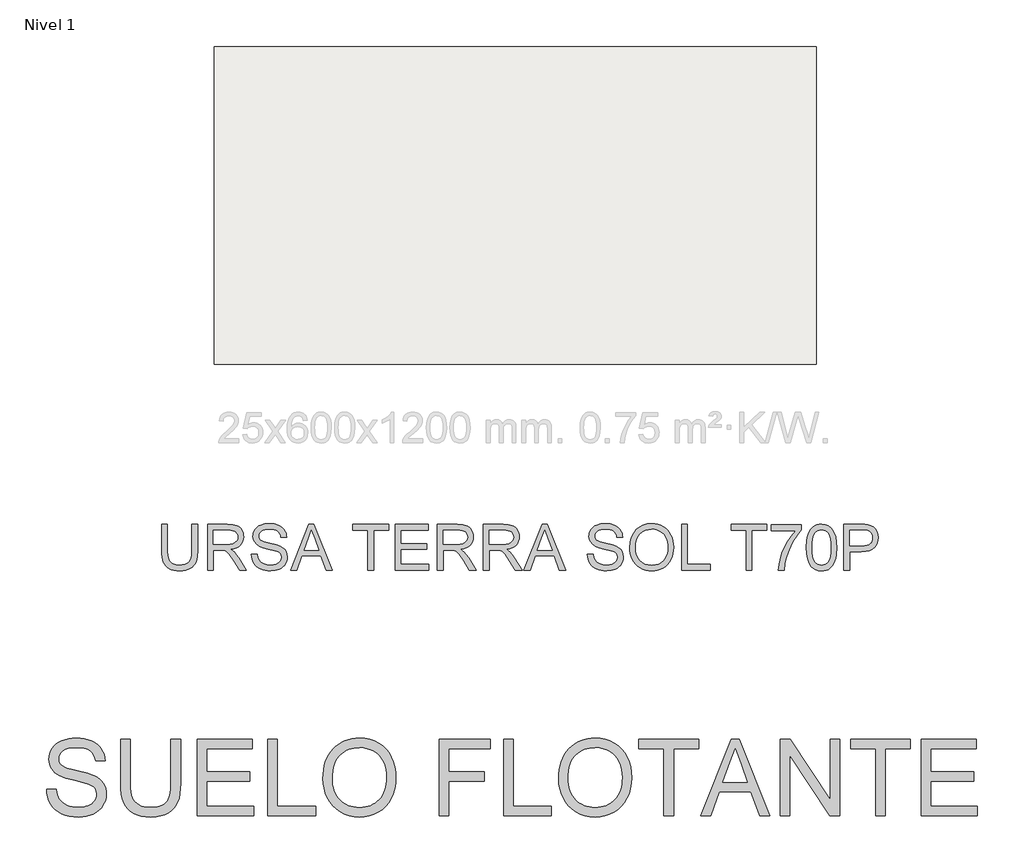
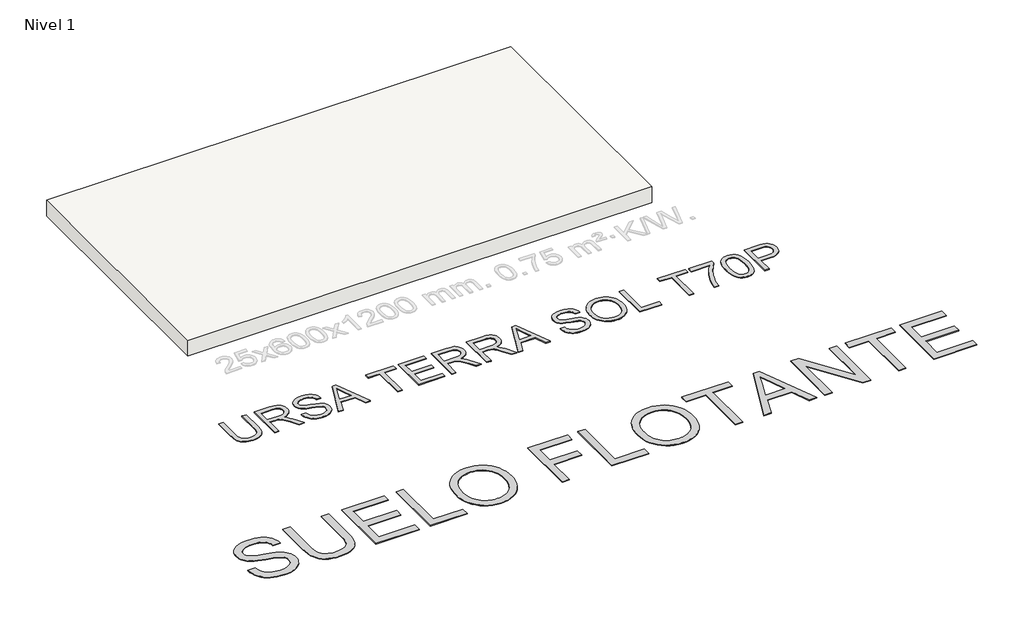
# One storey, part 1 of 2: 2 proxies, 1 slab.
"""IFC4 building model written with IfcOpenShell, lengths in millimetres."""

from ifc_helpers import new_model, si_unit, frame, origin, origin_with_axes, place, context, project, spatial, polyline, outline, extrude, element, save

model = new_model("IFC4")

# Units and contexts
model_context = context("Model", 3, world=origin())
ifc_project = project(units=[si_unit("LENGTHUNIT", "METRE", prefix="MILLI")], contexts=[model_context])

# Site, building, storey
site = spatial("IfcSite", under=ifc_project)
building = spatial("IfcBuilding", under=site)
storey = spatial("IfcBuildingStorey", under=building, Name="Nivel 1", Elevation=0.0)

# Proxies
placement = place(None, origin())
element("IfcBuildingElementProxy", 1, Name="Texto de modelo 2", ObjectType="Texto de modelo 2", at=placement, inside=storey, context=model_context, shape_type="SweptSolid", body=[
    extrude(outline(polyline([(-21857.7368574, -17302.7125735), (-21732.1664697, -17302.7125735), (-21726.4183135, -17339.2631825), (-21717.7577582, -17372.3955547), (-21706.1848038, -17402.10969), (-21691.6994502, -17428.4055885), (-21673.5659335, -17451.8120804), (-21651.0484897, -17472.8579962), (-21624.1471188, -17491.5433359), (-21592.8618208, -17507.8680994), (-21558.3422269, -17521.1195155), (-21521.7379684, -17530.5848126), (-21483.0490453, -17536.2639909), (-21442.2754575, -17538.1570504), (-21372.3165647, -17532.4242226), (-21340.602071, -17525.2581879), (-21311.0642125, -17515.2257393), (-21284.4310889, -17502.6870947), (-21261.4308, -17488.0024717), (-21242.0633458, -17471.1718704), (-21226.3287263, -17452.1952908), (-21214.1502994, -17431.8928032), (-21205.4514231, -17411.0844779), (-21200.2320973, -17389.7703148), (-21198.492322, -17367.9503139), (-21203.7039836, -17325.919796), (-21219.3389684, -17289.591449), (-21232.4907497, -17273.4736191), (-21251.0994473, -17258.5973909), (-21275.1650612, -17244.9627644), (-21304.6875913, -17232.5697397), (-21370.9983209, -17212.8573961), (-21487.5249429, -17184.622453), (-21607.5464438, -17152.8926309), (-21651.3473938, -17137.6025355), (-21684.3418103, -17122.6956505), (-21717.8727213, -17102.692067), (-21746.8510926, -17080.4505347), (-21771.2769243, -17055.9710536), (-21791.1502162, -17029.2536237), (-21806.5476106, -17000.5741565), (-21817.5457494, -16970.2085635), (-21824.1446327, -16938.1568447), (-21826.3442604, -16904.419), (-21823.6234665, -16867.025328), (-21815.4610847, -16830.8732578), (-21801.8571151, -16795.9627893), (-21782.8115577, -16762.2939225), (-21758.5390102, -16731.2385508), (-21729.2540705, -16704.1685673), (-21694.9567387, -16681.0839721), (-21655.6470147, -16661.9847652), (-21612.6508065, -16647.0165665), (-21567.2940222, -16636.324996), (-21519.5766617, -16629.9100537), (-21469.4987251, -16627.7717396), (-21414.8682488, -16630.0096884), (-21363.5487105, -16636.7235349), (-21315.5401101, -16647.9132789), (-21270.8424477, -16663.5789205), (-21230.2834577, -16683.582504), (-21194.6908747, -16707.7860736), (-21164.0646986, -16736.1896293), (-21138.4049295, -16768.7931711), (-21117.9108366, -16804.6463372), (-21102.7816896, -16842.7987658), (-21093.0174883, -16883.2504569), (-21088.6182328, -16926.0014104), (-21214.1886205, -16926.0014104), (-21222.5885927, -16885.9329298), (-21237.2425588, -16851.0761107), (-21258.1505189, -16821.4309533), (-21285.3124729, -16796.9974574), (-21319.2342585, -16777.8982505), (-21360.4217135, -16764.2559599), (-21408.874838, -16756.0705855), (-21464.5936318, -16753.3421273), (-21522.090522, -16756.0399286), (-21571.2180968, -16764.1333325), (-21611.9763562, -16777.622339), (-21644.3653001, -16796.5069481), (-21669.0440507, -16819.2083329), (-21686.6717296, -16844.1476665), (-21697.248337, -16871.3249489), (-21700.7738727, -16900.7401801), (-21698.2753409, -16926.0473956), (-21690.7797452, -16948.9940351), (-21678.2870858, -16969.5800984), (-21660.7973626, -16987.8055856), (-21633.2675266, -17005.0653825), (-21589.9187649, -17022.5091205), (-21530.7510773, -17040.1367994), (-21455.764464, -17057.9484193), (-21317.3182064, -17091.6096219), (-21268.6044989, -17106.8307394), (-21233.5637389, -17120.9788678), (-21195.0664209, -17142.4233225), (-21161.980034, -17166.5349216), (-21134.304578, -17193.3136651), (-21112.0400531, -17222.7595532), (-21094.9258761, -17254.7193015), (-21082.701464, -17289.039626), (-21075.3668167, -17325.7205266), (-21072.9219343, -17364.7620033), (-21075.7346987, -17404.0410705), (-21084.172992, -17442.1705065), (-21098.2368141, -17479.1503112), (-21117.9261651, -17514.9804847), (-21142.8961555, -17548.2738052), (-21172.801896, -17577.6430512), (-21207.6433866, -17603.0882225), (-21247.4206274, -17624.6093192), (-21290.9763227, -17641.7234962), (-21337.1531773, -17653.9479084), (-21385.9511912, -17661.2825556), (-21437.3703642, -17663.7274381), (-21501.6040934, -17661.0909504), (-21560.3962348, -17653.1814875), (-21613.7467883, -17639.9990494), (-21661.6557539, -17621.5436359), (-21704.4143717, -17597.7845904), (-21742.3138814, -17568.691256), (-21775.3542831, -17534.2636326), (-21803.5355767, -17494.5017203), (-21826.2369615, -17450.693106), (-21842.8376365, -17404.1253768), (-21853.3376018, -17354.7985326), (-21857.7368574, -17302.7125735)])), origin_with_axes(), (0.0, 0.0, 1.0), 10.0),
    extrude(outline(polyline([(-20225.3218174, -16643.4680381), (-20099.7514297, -16643.4680381), (-20099.7514297, -17223.0048078), (-20101.8820796, -17294.7647895), (-20108.2740293, -17358.7226072), (-20118.9272787, -17414.8782609), (-20133.841828, -17463.2317507), (-20154.3052639, -17505.6148222), (-20181.6051737, -17543.8592213), (-20215.7415571, -17577.9649479), (-20256.7144143, -17607.9320021), (-20304.5697305, -17632.3425053), (-20359.353491, -17649.7785791), (-20421.0656957, -17660.2402233), (-20489.7063446, -17663.7274381), (-20556.6532035, -17660.6924116), (-20617.2081128, -17651.5873322), (-20671.3710724, -17636.4121999), (-20719.1420823, -17615.1670147), (-20760.5288067, -17588.1660091), (-20795.5389099, -17555.7234156), (-20824.1723919, -17517.8392343), (-20846.4292526, -17474.5134652), (-20863.1142339, -17424.2592518), (-20875.0320777, -17365.5897378), (-20882.182784, -17298.5049231), (-20884.5663528, -17223.0048078), (-20884.5663528, -16643.4680381), (-20758.9959651, -16643.4680381), (-20758.9959651, -17218.5902239), (-20757.447795, -17279.2984173), (-20752.8032848, -17331.4380259), (-20745.0624345, -17375.0090497), (-20734.2252441, -17410.0114887), (-20719.6172632, -17438.9745316), (-20700.5640415, -17464.4273672), (-20677.0655791, -17486.3699953), (-20649.1218759, -17504.8024161), (-20617.2694264, -17519.3950686), (-20582.0447254, -17529.8183918), (-20543.4477728, -17536.0723857), (-20501.4785685, -17538.1570504), (-20432.2707681, -17534.0337063), (-20373.7622025, -17521.6636743), (-20325.9528715, -17501.0469541), (-20306.0604191, -17487.646086), (-20288.8427753, -17472.1835459), (-20273.9550508, -17453.7894461), (-20261.0523562, -17431.5938991), (-20241.2020569, -17375.7984632), (-20229.2918773, -17304.7972381), (-20225.3218174, -17218.5902239), (-20225.3218174, -16643.4680381)])), origin_with_axes(), (0.0, 0.0, 1.0), 10.0),
    extrude(outline(polyline([(-19880.0032513, -17648.0311396), (-19880.0032513, -16643.4680381), (-19157.9735221, -16643.4680381), (-19157.9735221, -16769.0384258), (-19754.4328636, -16769.0384258), (-19754.4328636, -17067.2680965), (-19189.366119, -17067.2680965), (-19189.366119, -17192.8384842), (-19754.4328636, -17192.8384842), (-19754.4328636, -17522.4607519), (-19142.2772236, -17522.4607519), (-19142.2772236, -17648.0311396), (-19880.0032513, -17648.0311396)])), origin_with_axes(), (0.0, 0.0, 1.0), 10.0),
    extrude(outline(polyline([(-18953.9216421, -17648.0311396), (-18953.9216421, -16643.4680381), (-18828.3512544, -16643.4680381), (-18828.3512544, -17522.4607519), (-18326.0697037, -17522.4607519), (-18326.0697037, -17648.0311396), (-18953.9216421, -17648.0311396)])), origin_with_axes(), (0.0, 0.0, 1.0), 10.0),
    extrude(outline(polyline([(-18231.8919129, -17158.9933407), (-18229.799584, -17098.3886141), (-18223.5225975, -17041.1638033), (-18213.0609533, -16987.3189084), (-18198.4146513, -16936.8539293), (-18179.5836917, -16889.768866), (-18156.5680744, -16846.0637185), (-18129.3677994, -16805.7384869), (-18097.9828666, -16768.7931711), (-18063.2908281, -16735.7412731), (-18026.1692355, -16707.0962949), (-17986.6180889, -16682.8582363), (-17944.6373883, -16663.0270975), (-17900.2271337, -16647.6028784), (-17853.3873251, -16636.5855791), (-17804.1179625, -16629.9751995), (-17752.4190458, -16627.7717396), (-17684.8360576, -16631.9104121), (-17620.6559779, -16644.3264294), (-17559.8788066, -16665.0197917), (-17502.5045438, -16693.9904988), (-17450.1426731, -16730.364831), (-17404.4026784, -16773.2690687), (-17365.2845596, -16822.7032118), (-17332.7883167, -16878.6672604), (-17307.2511748, -16939.8889557), (-17289.0103593, -17005.0960394), (-17278.0658699, -17074.2885113), (-17274.4177068, -17147.4663715), (-17278.2574751, -17221.6099219), (-17289.7767801, -17291.7374273), (-17308.9756217, -17357.8488875), (-17335.854, -17419.9443026), (-17369.7757856, -17476.383532), (-17410.1048493, -17525.5264352), (-17456.8411911, -17567.3730122), (-17509.984811, -17601.9232629), (-17567.4433801, -17628.9625895), (-17627.1245697, -17648.2763943), (-17689.0283795, -17659.8646771), (-17753.1548098, -17663.7274381), (-17821.9180861, -17659.4584741), (-17886.9412287, -17646.6515821), (-17948.2242378, -17625.3067622), (-18005.7671132, -17595.4240143), (-18058.0676702, -17558.1606339), (-18103.6237239, -17514.6739163), (-18142.4352744, -17464.9638617), (-18174.5023216, -17409.0304701), (-18199.6102678, -17349.1193543), (-18217.5445151, -17287.4761275), (-18228.3050634, -17224.1007896), (-18231.8919129, -17158.9933407)]), holes=[polyline([(-18106.3215252, -17160.219614), (-18104.7522786, -17203.0127207), (-18100.0445387, -17243.4682438), (-18092.1983055, -17281.5861835), (-18081.213579, -17317.3665396), (-18067.0903593, -17350.8093122), (-18049.8286463, -17381.9145013), (-18029.4284401, -17410.6821069), (-18005.8897405, -17437.112129), (-17979.9828006, -17460.7945325), (-17952.4778733, -17481.3192821), (-17923.3749586, -17498.686378), (-17892.6740565, -17512.89582), (-17860.375167, -17523.9476083), (-17826.47829, -17531.8417428), (-17790.9834256, -17536.5782235), (-17753.8905738, -17538.1570504), (-17716.1194396, -17536.5628951), (-17680.0612559, -17531.7804291), (-17645.7160228, -17523.8096526), (-17613.0837402, -17512.6505654), (-17582.1644081, -17498.3031676), (-17552.9580266, -17480.7674591), (-17525.4645956, -17460.0434401), (-17499.6841152, -17436.1311104), (-17476.3178603, -17409.287221), (-17456.0671061, -17379.768523), (-17438.9318525, -17347.5750164), (-17424.9120996, -17312.706701), (-17414.0078474, -17275.163577), (-17406.2190958, -17234.9456443), (-17401.5458448, -17192.0529029), (-17399.9880945, -17146.4853528), (-17402.6552389, -17089.0191195), (-17410.6566723, -17035.3236766), (-17423.9923946, -16985.3990242), (-17442.6624059, -16939.2451622), (-17466.4597725, -16897.4675631), (-17495.1775607, -16860.6716994), (-17528.8157706, -16828.857571), (-17567.3744023, -16802.025178), (-17609.6578391, -16780.7263433), (-17654.4704646, -16765.51289), (-17701.8122789, -16756.384818), (-17751.6832819, -16753.3421273), (-17821.7494735, -16759.2052466), (-17886.7572877, -16776.7946045), (-17917.3643033, -16789.9866229), (-17946.7067245, -16806.110201), (-18001.5977839, -16847.1520361), (-18026.1424108, -16872.5646345), (-18047.4144207, -16901.8974755), (-18065.4138138, -16935.150559), (-18080.1405899, -16972.323885), (-18091.5947491, -17013.4174535), (-18099.7762914, -17058.4312645), (-18104.6852167, -17107.365318), (-18106.3215252, -17160.219614)])]), origin_with_axes(), (0.0, 0.0, 1.0), 10.0),
    extrude(outline(polyline([(-16709.3509622, -17648.0311396), (-16709.3509622, -16643.4680381), (-16034.4101284, -16643.4680381), (-16034.4101284, -16769.0384258), (-16583.7805745, -16769.0384258), (-16583.7805745, -17067.2680965), (-16112.8916207, -17067.2680965), (-16112.8916207, -17192.8384842), (-16583.7805745, -17192.8384842), (-16583.7805745, -17648.0311396), (-16709.3509622, -17648.0311396)])), origin_with_axes(), (0.0, 0.0, 1.0), 10.0),
    extrude(outline(polyline([(-15861.7508453, -17648.0311396), (-15861.7508453, -16643.4680381), (-15736.1804576, -16643.4680381), (-15736.1804576, -17522.4607519), (-15233.8989069, -17522.4607519), (-15233.8989069, -17648.0311396), (-15861.7508453, -17648.0311396)])), origin_with_axes(), (0.0, 0.0, 1.0), 10.0),
    extrude(outline(polyline([(-15139.7211161, -17158.9933407), (-15137.6287872, -17098.3886141), (-15131.3518007, -17041.1638033), (-15120.8901565, -16987.3189084), (-15106.2438545, -16936.8539293), (-15087.4128949, -16889.768866), (-15064.3972776, -16846.0637185), (-15037.1970026, -16805.7384869), (-15005.8120699, -16768.7931711), (-14971.1200313, -16735.7412731), (-14933.9984387, -16707.0962949), (-14894.4472921, -16682.8582363), (-14852.4665915, -16663.0270975), (-14808.0563369, -16647.6028784), (-14761.2165283, -16636.5855791), (-14711.9471657, -16629.9751995), (-14660.2482491, -16627.7717396), (-14592.6652609, -16631.9104121), (-14528.4851811, -16644.3264294), (-14467.7080098, -16665.0197917), (-14410.333747, -16693.9904988), (-14357.9718763, -16730.364831), (-14312.2318816, -16773.2690687), (-14273.1137628, -16822.7032118), (-14240.6175199, -16878.6672604), (-14215.0803781, -16939.8889557), (-14196.8395625, -17005.0960394), (-14185.8950731, -17074.2885113), (-14182.24691, -17147.4663715), (-14186.0866783, -17221.6099219), (-14197.6059833, -17291.7374273), (-14216.8048249, -17357.8488875), (-14243.6832032, -17419.9443026), (-14277.6049888, -17476.383532), (-14317.9340525, -17525.5264352), (-14364.6703943, -17567.3730122), (-14417.8140142, -17601.9232629), (-14475.2725834, -17628.9625895), (-14534.9537729, -17648.2763943), (-14596.8575828, -17659.8646771), (-14660.984013, -17663.7274381), (-14729.7472893, -17659.4584741), (-14794.770432, -17646.6515821), (-14856.053441, -17625.3067622), (-14913.5963164, -17595.4240143), (-14965.8968734, -17558.1606339), (-15011.4529271, -17514.6739163), (-15050.2644776, -17464.9638617), (-15082.3315248, -17409.0304701), (-15107.439471, -17349.1193543), (-15125.3737183, -17287.4761275), (-15136.1342666, -17224.1007896), (-15139.7211161, -17158.9933407)]), holes=[polyline([(-15014.1507284, -17160.219614), (-15012.5814818, -17203.0127207), (-15007.8737419, -17243.4682438), (-15000.0275087, -17281.5861835), (-14989.0427822, -17317.3665396), (-14974.9195625, -17350.8093122), (-14957.6578495, -17381.9145013), (-14937.2576433, -17410.6821069), (-14913.7189437, -17437.112129), (-14887.8120038, -17460.7945325), (-14860.3070766, -17481.3192821), (-14831.2041618, -17498.686378), (-14800.5032597, -17512.89582), (-14768.2043702, -17523.9476083), (-14734.3074932, -17531.8417428), (-14698.8126288, -17536.5782235), (-14661.719777, -17538.1570504), (-14623.9486428, -17536.5628951), (-14587.8904591, -17531.7804291), (-14553.545226, -17523.8096526), (-14520.9129434, -17512.6505654), (-14489.9936113, -17498.3031676), (-14460.7872298, -17480.7674591), (-14433.2937988, -17460.0434401), (-14407.5133184, -17436.1311104), (-14384.1470635, -17409.287221), (-14363.8963093, -17379.768523), (-14346.7610558, -17347.5750164), (-14332.7413028, -17312.706701), (-14321.8370506, -17275.163577), (-14314.048299, -17234.9456443), (-14309.375048, -17192.0529029), (-14307.8172977, -17146.4853528), (-14310.4844421, -17089.0191195), (-14318.4858755, -17035.3236766), (-14331.8215979, -16985.3990242), (-14350.4916091, -16939.2451622), (-14374.2889757, -16897.4675631), (-14403.0067639, -16860.6716994), (-14436.6449739, -16828.857571), (-14475.2036055, -16802.025178), (-14517.4870423, -16780.7263433), (-14562.2996678, -16765.51289), (-14609.6414821, -16756.384818), (-14659.5124851, -16753.3421273), (-14729.5786767, -16759.2052466), (-14794.586491, -16776.7946045), (-14825.1935065, -16789.9866229), (-14854.5359278, -16806.110201), (-14909.4269871, -16847.1520361), (-14933.971614, -16872.5646345), (-14955.2436239, -16901.8974755), (-14973.243017, -16935.150559), (-14987.9697931, -16972.323885), (-14999.4239523, -17013.4174535), (-15007.6054946, -17058.4312645), (-15012.51442, -17107.365318), (-15014.1507284, -17160.219614)])]), origin_with_axes(), (0.0, 0.0, 1.0), 10.0),
    extrude(outline(polyline([(-13758.4468515, -17648.0311396), (-13758.4468515, -16769.0384258), (-14088.0691192, -16769.0384258), (-14088.0691192, -16643.4680381), (-13303.2541962, -16643.4680381), (-13303.2541962, -16769.0384258), (-13632.8764639, -16769.0384258), (-13632.8764639, -17648.0311396), (-13758.4468515, -17648.0311396)])), origin_with_axes(), (0.0, 0.0, 1.0), 10.0),
    extrude(outline(polyline([(-13278.9739845, -17648.0311396), (-12877.9826098, -16643.4680381), (-12771.0515765, -16643.4680381), (-12370.0602017, -17648.0311396), (-12502.7429747, -17648.0311396), (-12617.7674118, -17334.1051704), (-13031.5120291, -17334.1051704), (-13146.2912116, -17648.0311396), (-13278.9739845, -17648.0311396)]), holes=[polyline([(-12985.4041523, -17208.5347827), (-12663.6300339, -17208.5347827), (-12754.1290047, -16961.5633366), (-12824.5170931, -16769.0384258), (-12887.0570323, -16939.9809262), (-12985.4041523, -17208.5347827)])]), origin_with_axes(), (0.0, 0.0, 1.0), 10.0),
    extrude(outline(polyline([(-12235.9059008, -17648.0311396), (-12235.9059008, -16643.4680381), (-12101.5063453, -16643.4680381), (-11576.6613655, -17439.319421), (-11576.6613655, -16643.4680381), (-11451.0909778, -16643.4680381), (-11451.0909778, -17648.0311396), (-11585.4905334, -17648.0311396), (-12110.3355131, -16851.934502), (-12110.3355131, -17648.0311396), (-12235.9059008, -17648.0311396)])), origin_with_axes(), (0.0, 0.0, 1.0), 10.0),
    extrude(outline(polyline([(-10980.202024, -17648.0311396), (-10980.202024, -16769.0384258), (-11309.8242916, -16769.0384258), (-11309.8242916, -16643.4680381), (-10525.0093686, -16643.4680381), (-10525.0093686, -16769.0384258), (-10854.6316363, -16769.0384258), (-10854.6316363, -17648.0311396), (-10980.202024, -17648.0311396)])), origin_with_axes(), (0.0, 0.0, 1.0), 10.0),
    extrude(outline(polyline([(-10383.7426825, -17648.0311396), (-10383.7426825, -16643.4680381), (-9661.7129533, -16643.4680381), (-9661.7129533, -16769.0384258), (-10258.1722948, -16769.0384258), (-10258.1722948, -17067.2680965), (-9693.1055502, -17067.2680965), (-9693.1055502, -17192.8384842), (-10258.1722948, -17192.8384842), (-10258.1722948, -17522.4607519), (-9646.0166548, -17522.4607519), (-9646.0166548, -17648.0311396), (-10383.7426825, -17648.0311396)])), origin_with_axes(), (0.0, 0.0, 1.0), 10.0),
])
element("IfcBuildingElementProxy", 2, Name="Texto de modelo 3", ObjectType="Texto de modelo 3", at=placement, inside=storey, context=model_context, shape_type="SweptSolid", body=[
    extrude(outline(polyline([(-19951.0594221, -13823.3522814), (-19875.7171895, -13823.3522814), (-19875.7171895, -14171.0743432), (-19880.8307493, -14252.5050228), (-19887.2226989, -14286.1984151), (-19896.1714284, -14315.2105089), (-19908.44949, -14340.6403518), (-19924.8294359, -14363.5869913), (-19945.311266, -14384.0504273), (-19969.8949803, -14402.0306598), (-19998.60817, -14416.6769617), (-20031.4784263, -14427.1386059), (-20068.5057491, -14433.4155925), (-20109.6901385, -14435.5079213), (-20149.8582538, -14433.6869055), (-20186.1911993, -14428.2238578), (-20218.6889751, -14419.1187784), (-20247.351581, -14406.3716673), (-20272.1836157, -14390.1710639), (-20293.1896776, -14370.7055079), (-20310.3697668, -14347.9749991), (-20323.7238832, -14321.9795376), (-20333.734872, -14291.8270096), (-20340.8855783, -14256.6253012), (-20345.1760021, -14216.3744124), (-20346.6061433, -14171.0743432), (-20346.6061433, -13823.3522814), (-20271.2639107, -13823.3522814), (-20271.2639107, -14168.4255928), (-20267.5483026, -14236.134274), (-20256.4014781, -14283.2783517), (-20247.6366896, -14300.6561775), (-20236.2047566, -14315.9278788), (-20222.1056791, -14329.0934557), (-20205.3394572, -14340.1529082), (-20165.0931669, -14355.1624936), (-20116.7534728, -14360.1656887), (-20075.2287926, -14357.6916823), (-20040.1236532, -14350.269663), (-20011.4380546, -14337.899631), (-19989.1719968, -14320.581586), (-19972.4977454, -14296.227798), (-19960.5875658, -14262.7505364), (-19953.441458, -14220.1498014), (-19951.0594221, -14168.4255928), (-19951.0594221, -13823.3522814)])), origin_with_axes(), (0.0, 0.0, 1.0), 10.0),
    extrude(outline(polyline([(-19743.8682824, -14426.0901423), (-19743.8682824, -13823.3522814), (-19484.1435939, -13823.3522814), (-19414.3379853, -13827.4173774), (-19363.5518758, -13839.6126655), (-19343.9529625, -13849.3063561), (-19326.4325825, -13862.1270436), (-19310.9907358, -13878.0747281), (-19297.6274223, -13897.1494096), (-19286.8438813, -13918.3256169), (-19279.141352, -13940.5778791), (-19274.5198345, -13963.9061961), (-19272.9793286, -13988.310568), (-19275.53151, -14019.2678379), (-19283.188054, -14047.686722), (-19295.9489607, -14073.5672204), (-19313.8142301, -14096.909333), (-19337.0137884, -14116.9680988), (-19365.7775619, -14132.9985567), (-19400.1055506, -14145.0007068), (-19439.9977544, -14152.974549), (-19415.1657198, -14169.198145), (-19397.1762902, -14185.2010118), (-19366.3109908, -14221.8052703), (-19336.107879, -14262.7505364), (-19235.6025179, -14426.0901423), (-19323.1584328, -14426.0901423), (-19401.5908741, -14301.1574167), (-19458.2447014, -14218.4575442), (-19479.3059456, -14194.3428794), (-19498.0495333, -14179.3884763), (-19533.8812396, -14165.0410785), (-19577.5856206, -14162.3923281), (-19668.5260498, -14162.3923281), (-19668.5260498, -14426.0901423), (-19743.8682824, -14426.0901423)]), holes=[polyline([(-19668.5260498, -14087.0500955), (-19499.8889432, -14087.0500955), (-19451.4572786, -14084.382951), (-19413.8781328, -14076.3815176), (-19385.5880073, -14062.5123664), (-19365.0234038, -14042.2420685), (-19352.4970219, -14017.7227335), (-19348.3215612, -13991.1064712), (-19350.3127225, -13971.8386517), (-19356.2862064, -13954.3550598), (-19366.2420129, -13938.6556957), (-19380.180142, -13924.7405592), (-19398.4224905, -13913.3454144), (-19421.290955, -13905.2060253), (-19448.7855356, -13900.3223918), (-19480.9062323, -13898.694514), (-19668.5260498, -13898.694514), (-19668.5260498, -14087.0500955)])]), origin_with_axes(), (0.0, 0.0, 1.0), 10.0),
    extrude(outline(polyline([(-19169.3837588, -14218.8990026), (-19094.0415262, -14218.8990026), (-19085.3962993, -14260.7087913), (-19069.7613145, -14294.3148116), (-19045.3707382, -14320.9862562), (-19010.4587369, -14341.9923182), (-18967.7844254, -14355.6223461), (-18920.1069188, -14360.1656887), (-18878.1315832, -14356.7259921), (-18841.3801719, -14346.4069021), (-18811.6001244, -14330.0729415), (-18790.5388801, -14308.588633), (-18778.0124982, -14283.9221452), (-18773.8370376, -14258.0416469), (-18776.9640345, -14232.8233361), (-18786.3450254, -14211.0263279), (-18805.4013128, -14192.429893), (-18837.5541991, -14176.8133023), (-18947.2566101, -14148.0449303), (-19019.2695106, -14129.007037), (-19065.3467305, -14110.8888488), (-19102.8523, -14085.5417793), (-19129.4317741, -14054.8236327), (-19145.269094, -14019.3965966), (-19150.5482006, -13979.9228585), (-19148.9157243, -13957.4866553), (-19144.0182952, -13935.7954132), (-19135.8559134, -13914.8491321), (-19124.428579, -13894.647812), (-19109.8650505, -13876.014589), (-19092.2940867, -13859.7725989), (-19071.7156876, -13845.9218418), (-19048.1298532, -13834.4623176), (-18995.1180577, -13819.0664561), (-18936.4408794, -13813.9345023), (-18872.8708707, -13819.3055794), (-18817.247113, -13835.4188108), (-18792.911719, -13847.4209609), (-18771.5561692, -13861.9431027), (-18753.1804635, -13878.9852361), (-18737.784602, -13898.5473612), (-18725.4881463, -13920.0592608), (-18716.4106581, -13942.950718), (-18710.5521373, -13967.2217326), (-18707.912584, -13992.8723047), (-18783.2548166, -13992.8723047), (-18788.2948, -13968.8312163), (-18797.0871797, -13947.9171249), (-18809.6319557, -13930.1300305), (-18825.9291281, -13915.4699329), (-18846.2821995, -13904.0104088), (-18870.9946725, -13895.8250344), (-18900.0665472, -13890.9138098), (-18933.4978235, -13889.2767349), (-18967.9959576, -13890.8954157), (-18997.4725024, -13895.751458), (-19021.9274581, -13903.8448619), (-19041.3608245, -13915.1756274), (-19056.1680748, -13928.7964582), (-19066.7446821, -13943.7600584), (-19073.0906465, -13960.0664278), (-19075.205968, -13977.7155665), (-19073.7068489, -13992.8998959), (-19069.2094915, -14006.6678796), (-19061.7138958, -14019.0195175), (-19051.2200619, -14029.9548098), (-19034.7021603, -14040.310688), (-19008.6929033, -14050.7769308), (-18928.2003227, -14072.0405101), (-18845.1325682, -14092.2372316), (-18794.8798877, -14109.8587792), (-18751.9296648, -14137.1924114), (-18735.3243912, -14153.2596576), (-18721.9656762, -14170.9271904), (-18711.6971701, -14190.1030394), (-18704.3625228, -14210.6952341), (-18698.494805, -14256.1286605), (-18700.1824636, -14279.6961008), (-18705.2454396, -14302.5737624), (-18713.6837328, -14324.7616452), (-18725.4973434, -14346.2597493), (-18740.4793377, -14366.2357416), (-18758.422782, -14383.8572892), (-18779.3276763, -14399.124392), (-18803.1940208, -14412.03705), (-18829.327438, -14422.3055562), (-18857.0335508, -14429.6402035), (-18917.1638629, -14435.5079213), (-18955.7041004, -14433.9260288), (-18990.9793852, -14429.180351), (-19022.9897173, -14421.2708881), (-19051.7350967, -14410.1976401), (-19077.3902674, -14395.9422127), (-19100.1299732, -14378.4862121), (-19119.9542142, -14357.829638), (-19136.8629904, -14333.9724907), (-19150.4838213, -14307.6873221), (-19160.4442263, -14279.7466846), (-19166.7442055, -14250.1505781), (-19169.3837588, -14218.8990026)])), origin_with_axes(), (0.0, 0.0, 1.0), 10.0),
    extrude(outline(polyline([(-18655.6733407, -14426.0901423), (-18415.0785159, -13823.3522814), (-18350.9198959, -13823.3522814), (-18110.3250711, -14426.0901423), (-18189.9347348, -14426.0901423), (-18258.9493971, -14237.7345607), (-18507.1961675, -14237.7345607), (-18576.063677, -14426.0901423), (-18655.6733407, -14426.0901423)]), holes=[polyline([(-18479.5314414, -14162.3923281), (-18286.4669704, -14162.3923281), (-18340.7663528, -14014.2094605), (-18382.9992059, -13898.694514), (-18420.5231694, -14001.2600142), (-18479.5314414, -14162.3923281)])]), origin_with_axes(), (0.0, 0.0, 1.0), 10.0),
    extrude(outline(polyline([(-17643.7035484, -14426.0901423), (-17643.7035484, -13898.694514), (-17841.476909, -13898.694514), (-17841.476909, -13823.3522814), (-17370.5879552, -13823.3522814), (-17370.5879552, -13898.694514), (-17568.3613158, -13898.694514), (-17568.3613158, -14426.0901423), (-17643.7035484, -14426.0901423)])), origin_with_axes(), (0.0, 0.0, 1.0), 10.0),
    extrude(outline(polyline([(-17285.8279435, -14426.0901423), (-17285.8279435, -13823.3522814), (-16852.610106, -13823.3522814), (-16852.610106, -13898.694514), (-17210.4857109, -13898.694514), (-17210.4857109, -14077.6323164), (-16871.4456641, -14077.6323164), (-16871.4456641, -14152.974549), (-17210.4857109, -14152.974549), (-17210.4857109, -14350.7479096), (-16843.1923269, -14350.7479096), (-16843.1923269, -14426.0901423), (-17285.8279435, -14426.0901423)])), origin_with_axes(), (0.0, 0.0, 1.0), 10.0),
    extrude(outline(polyline([(-16730.178978, -14426.0901423), (-16730.178978, -13823.3522814), (-16470.4542894, -13823.3522814), (-16400.6486808, -13827.4173774), (-16349.8625713, -13839.6126655), (-16330.2636581, -13849.3063561), (-16312.743278, -13862.1270436), (-16297.3014313, -13878.0747281), (-16283.9381178, -13897.1494096), (-16273.1545768, -13918.3256169), (-16265.4520476, -13940.5778791), (-16260.83053, -13963.9061961), (-16259.2900241, -13988.310568), (-16261.8422055, -14019.2678379), (-16269.4987495, -14047.686722), (-16282.2596562, -14073.5672204), (-16300.1249256, -14096.909333), (-16323.3244839, -14116.9680988), (-16352.0882574, -14132.9985567), (-16386.4162461, -14145.0007068), (-16426.3084499, -14152.974549), (-16401.4764153, -14169.198145), (-16383.4869857, -14185.2010118), (-16352.6216863, -14221.8052703), (-16322.4185745, -14262.7505364), (-16221.9132134, -14426.0901423), (-16309.4691283, -14426.0901423), (-16387.9015696, -14301.1574167), (-16444.5553969, -14218.4575442), (-16465.6166411, -14194.3428794), (-16484.3602288, -14179.3884763), (-16520.1919351, -14165.0410785), (-16563.8963161, -14162.3923281), (-16654.8367453, -14162.3923281), (-16654.8367453, -14426.0901423), (-16730.178978, -14426.0901423)]), holes=[polyline([(-16654.8367453, -14087.0500955), (-16486.1996388, -14087.0500955), (-16437.7679741, -14084.382951), (-16400.1888283, -14076.3815176), (-16371.8987029, -14062.5123664), (-16351.3340993, -14042.2420685), (-16338.8077174, -14017.7227335), (-16334.6322567, -13991.1064712), (-16336.623418, -13971.8386517), (-16342.5969019, -13954.3550598), (-16352.5527084, -13938.6556957), (-16366.4908375, -13924.7405592), (-16384.733186, -13913.3454144), (-16407.6016505, -13905.2060253), (-16435.0962311, -13900.3223918), (-16467.2169278, -13898.694514), (-16654.8367453, -13898.694514), (-16654.8367453, -14087.0500955)])]), origin_with_axes(), (0.0, 0.0, 1.0), 10.0),
    extrude(outline(polyline([(-16127.4411171, -14426.0901423), (-16127.4411171, -13823.3522814), (-15867.7164285, -13823.3522814), (-15797.9108199, -13827.4173774), (-15747.1247104, -13839.6126655), (-15727.5257972, -13849.3063561), (-15710.0054171, -13862.1270436), (-15694.5635704, -13878.0747281), (-15681.2002569, -13897.1494096), (-15670.4167159, -13918.3256169), (-15662.7141867, -13940.5778791), (-15658.0926691, -13963.9061961), (-15656.5521632, -13988.310568), (-15659.1043446, -14019.2678379), (-15666.7608886, -14047.686722), (-15679.5217953, -14073.5672204), (-15697.3870647, -14096.909333), (-15720.586623, -14116.9680988), (-15749.3503965, -14132.9985567), (-15783.6783852, -14145.0007068), (-15823.570589, -14152.974549), (-15798.7385544, -14169.198145), (-15780.7491248, -14185.2010118), (-15749.8838254, -14221.8052703), (-15719.6807136, -14262.7505364), (-15619.1753525, -14426.0901423), (-15706.7312674, -14426.0901423), (-15785.1637087, -14301.1574167), (-15841.817536, -14218.4575442), (-15862.8787802, -14194.3428794), (-15881.6223679, -14179.3884763), (-15917.4540742, -14165.0410785), (-15961.1584552, -14162.3923281), (-16052.0988844, -14162.3923281), (-16052.0988844, -14426.0901423), (-16127.4411171, -14426.0901423)]), holes=[polyline([(-16052.0988844, -14087.0500955), (-15883.4617779, -14087.0500955), (-15835.0301132, -14084.382951), (-15797.4509674, -14076.3815176), (-15769.160842, -14062.5123664), (-15748.5962384, -14042.2420685), (-15736.0698565, -14017.7227335), (-15731.8943958, -13991.1064712), (-15733.8855571, -13971.8386517), (-15739.859041, -13954.3550598), (-15749.8148475, -13938.6556957), (-15763.7529766, -13924.7405592), (-15781.9953251, -13913.3454144), (-15804.8637896, -13905.2060253), (-15832.3583702, -13900.3223918), (-15864.4790669, -13898.694514), (-16052.0988844, -13898.694514), (-16052.0988844, -14087.0500955)])]), origin_with_axes(), (0.0, 0.0, 1.0), 10.0),
    extrude(outline(polyline([(-15594.8951408, -14426.0901423), (-15354.300316, -13823.3522814), (-15290.141696, -13823.3522814), (-15049.5468712, -14426.0901423), (-15129.1565349, -14426.0901423), (-15198.1711972, -14237.7345607), (-15446.4179676, -14237.7345607), (-15515.2854771, -14426.0901423), (-15594.8951408, -14426.0901423)]), holes=[polyline([(-15418.7532416, -14162.3923281), (-15225.6887705, -14162.3923281), (-15279.988153, -14014.2094605), (-15322.221006, -13898.694514), (-15359.7449695, -14001.2600142), (-15418.7532416, -14162.3923281)])]), origin_with_axes(), (0.0, 0.0, 1.0), 10.0),
    extrude(outline(polyline([(-14761.863151, -14218.8990026), (-14686.5209184, -14218.8990026), (-14677.8756915, -14260.7087913), (-14662.2407067, -14294.3148116), (-14637.8501304, -14320.9862562), (-14602.938129, -14341.9923182), (-14560.2638176, -14355.6223461), (-14512.586311, -14360.1656887), (-14470.6109754, -14356.7259921), (-14433.8595641, -14346.4069021), (-14404.0795166, -14330.0729415), (-14383.0182723, -14308.588633), (-14370.4918904, -14283.9221452), (-14366.3164298, -14258.0416469), (-14369.4434267, -14232.8233361), (-14378.8244176, -14211.0263279), (-14397.8807049, -14192.429893), (-14430.0335913, -14176.8133023), (-14539.7360023, -14148.0449303), (-14611.7489028, -14129.007037), (-14657.8261227, -14110.8888488), (-14695.3316921, -14085.5417793), (-14721.9111663, -14054.8236327), (-14737.7484862, -14019.3965966), (-14743.0275928, -13979.9228585), (-14741.3951165, -13957.4866553), (-14736.4976874, -13935.7954132), (-14728.3353056, -13914.8491321), (-14716.9079712, -13894.647812), (-14702.3444427, -13876.014589), (-14684.7734789, -13859.7725989), (-14664.1950798, -13845.9218418), (-14640.6092454, -13834.4623176), (-14587.5974498, -13819.0664561), (-14528.9202716, -13813.9345023), (-14465.3502629, -13819.3055794), (-14409.7265052, -13835.4188108), (-14385.3911112, -13847.4209609), (-14364.0355614, -13861.9431027), (-14345.6598557, -13878.9852361), (-14330.2639942, -13898.5473612), (-14317.9675385, -13920.0592608), (-14308.8900503, -13942.950718), (-14303.0315295, -13967.2217326), (-14300.3919762, -13992.8723047), (-14375.7342088, -13992.8723047), (-14380.7741922, -13968.8312163), (-14389.5665718, -13947.9171249), (-14402.1113479, -13930.1300305), (-14418.4085203, -13915.4699329), (-14438.7615917, -13904.0104088), (-14463.4740647, -13895.8250344), (-14492.5459393, -13890.9138098), (-14525.9772157, -13889.2767349), (-14560.4753498, -13890.8954157), (-14589.9518946, -13895.751458), (-14614.4068502, -13903.8448619), (-14633.8402166, -13915.1756274), (-14648.6474669, -13928.7964582), (-14659.2240743, -13943.7600584), (-14665.5700387, -13960.0664278), (-14667.6853602, -13977.7155665), (-14666.1862411, -13992.8998959), (-14661.6888837, -14006.6678796), (-14654.193288, -14019.0195175), (-14643.6994541, -14029.9548098), (-14627.1815525, -14040.310688), (-14601.1722955, -14050.7769308), (-14520.6797149, -14072.0405101), (-14437.6119604, -14092.2372316), (-14387.3592799, -14109.8587792), (-14344.4090569, -14137.1924114), (-14327.8037834, -14153.2596576), (-14314.4450684, -14170.9271904), (-14304.1765622, -14190.1030394), (-14296.841915, -14210.6952341), (-14290.9741971, -14256.1286605), (-14292.6618558, -14279.6961008), (-14297.7248317, -14302.5737624), (-14306.163125, -14324.7616452), (-14317.9767356, -14346.2597493), (-14332.9587298, -14366.2357416), (-14350.9021742, -14383.8572892), (-14371.8070685, -14399.124392), (-14395.673413, -14412.03705), (-14421.8068302, -14422.3055562), (-14449.512943, -14429.6402035), (-14509.6432551, -14435.5079213), (-14548.1834926, -14433.9260288), (-14583.4587774, -14429.180351), (-14615.4691095, -14421.2708881), (-14644.2144889, -14410.1976401), (-14669.8696595, -14395.9422127), (-14692.6093654, -14378.4862121), (-14712.4336064, -14357.829638), (-14729.3423826, -14333.9724907), (-14742.9632135, -14307.6873221), (-14752.9236185, -14279.7466846), (-14759.2235976, -14250.1505781), (-14761.863151, -14218.8990026)])), origin_with_axes(), (0.0, 0.0, 1.0), 10.0),
    extrude(outline(polyline([(-14206.2141854, -14132.6674629), (-14201.1925962, -14061.9697405), (-14186.1278285, -13999.383816), (-14161.0198823, -13944.9096896), (-14144.6997173, -13920.7145506), (-14125.8687577, -13898.5473612), (-14082.780579, -13861.5292354), (-14033.8614707, -13835.087717), (-13979.1114328, -13819.222806), (-13918.5304652, -13813.9345023), (-13877.9806723, -13816.4177057), (-13839.4726245, -13823.8673161), (-13803.0063217, -13836.2833335), (-13768.581764, -13853.6657578), (-13737.1646416, -13875.4903571), (-13709.7206448, -13901.2328997), (-13686.2497735, -13930.8933856), (-13666.7520277, -13964.4718147), (-13651.4297426, -14001.2048319), (-13640.4852533, -14040.3290821), (-13633.9185597, -14081.8445653), (-13631.7296618, -14125.7512814), (-13634.0335228, -14170.2374117), (-13640.9451058, -14212.3139149), (-13652.4644107, -14251.980791), (-13668.5914377, -14289.23804), (-13688.9445091, -14323.1015777), (-13713.1419473, -14352.5873196), (-13741.1837524, -14377.6952658), (-13773.0699243, -14398.4254162), (-13807.5450658, -14414.6490122), (-13843.3537795, -14426.2372951), (-13880.4960654, -14433.1902648), (-13918.9719236, -14435.5079213), (-13960.2298894, -14432.9465429), (-13999.243775, -14425.2624078), (-14036.0135804, -14412.4555158), (-14070.5393056, -14394.5258671), (-14101.9196398, -14372.1678388), (-14129.2532721, -14346.0758083), (-14152.5402024, -14316.2497755), (-14171.7804307, -14282.6897405), (-14186.8451984, -14246.7430711), (-14197.6057468, -14209.757135), (-14204.0620758, -14171.7319323), (-14206.2141854, -14132.6674629)]), holes=[polyline([(-14130.8719528, -14133.4032269), (-14127.1057609, -14183.3524048), (-14115.8071851, -14227.6913823), (-14096.9762255, -14266.4201593), (-14070.612882, -14299.5387359), (-14038.5657617, -14326.0630278), (-14002.6834716, -14345.0089505), (-13962.9660117, -14356.3765042), (-13919.413382, -14360.1656887), (-13875.1157913, -14356.339716), (-13834.9292818, -14344.8617977), (-13798.8538537, -14325.731934), (-13766.8895068, -14298.9501247), (-13740.7193014, -14265.1325723), (-13722.0262975, -14224.8954791), (-13710.8104952, -14178.2388451), (-13707.0718944, -14125.1626702), (-13708.6721811, -14090.6829302), (-13713.4730411, -14058.4656645), (-13721.4744745, -14028.510873), (-13732.6764813, -14000.8185558), (-13746.9549012, -13975.7519964), (-13764.1855741, -13953.6744781), (-13784.3685001, -13934.5860011), (-13807.5036791, -13918.4865653), (-13832.8737412, -13905.7072645), (-13859.7613165, -13896.5791925), (-13888.166405, -13891.1023493), (-13918.0890068, -13889.2767349), (-13960.1287218, -13892.7946065), (-13999.1334104, -13903.3482212), (-14035.1030724, -13920.9375791), (-14068.0377081, -13945.5626802), (-14095.5276902, -13978.4099438), (-14115.1633916, -14020.6657895), (-14126.9448125, -14072.3302172), (-14130.8719528, -14133.4032269)])]), origin_with_axes(), (0.0, 0.0, 1.0), 10.0),
    extrude(outline(polyline([(-13528.1340919, -14426.0901423), (-13528.1340919, -13823.3522814), (-13452.7918593, -13823.3522814), (-13452.7918593, -14350.7479096), (-13151.4229289, -14350.7479096), (-13151.4229289, -14426.0901423), (-13528.1340919, -14426.0901423)])), origin_with_axes(), (0.0, 0.0, 1.0), 10.0),
    extrude(outline(polyline([(-12680.5339751, -14426.0901423), (-12680.5339751, -13898.694514), (-12878.3073357, -13898.694514), (-12878.3073357, -13823.3522814), (-12407.4183818, -13823.3522814), (-12407.4183818, -13898.694514), (-12605.1917424, -13898.694514), (-12605.1917424, -14426.0901423), (-12680.5339751, -14426.0901423)])), origin_with_axes(), (0.0, 0.0, 1.0), 10.0),
    extrude(outline(polyline([(-12350.9117074, -13908.112293), (-12350.9117074, -13832.7700604), (-11955.3649862, -13832.7700604), (-11955.3649862, -13893.6913188), (-12011.7429019, -13965.0420318), (-12067.5689947, -14055.7801259), (-12116.8099997, -14157.6282563), (-12136.6986201, -14209.6145807), (-12153.4326524, -14262.309078), (-12171.3852937, -14340.6311548), (-12181.391684, -14426.0901423), (-12256.7339166, -14426.0901423), (-12248.5853304, -14348.4302531), (-12226.7883222, -14256.1286605), (-12210.9188126, -14206.7634953), (-12191.9315032, -14158.2904439), (-12169.8263938, -14110.7095063), (-12144.6034845, -14064.0206826), (-12089.3476088, -13978.8008184), (-12030.7072188, -13908.112293), (-12350.9117074, -13908.112293)])), origin_with_axes(), (0.0, 0.0, 1.0), 10.0),
    extrude(outline(polyline([(-11889.4405326, -14129.5772541), (-11883.9039086, -14033.1002009), (-11876.9831286, -13992.1871245), (-11867.2940365, -13956.1576816), (-11854.8780192, -13924.7175666), (-11839.7764633, -13897.5724739), (-11821.9893688, -13874.7224035), (-11801.5167358, -13856.1673553), (-11778.2895863, -13841.8107605), (-11752.2389425, -13831.5560498), (-11723.3648044, -13825.4032235), (-11691.667172, -13823.3522814), (-11645.2404642, -13828.2083237), (-11603.6697988, -13842.7764507), (-11568.9049502, -13866.4864453), (-11542.8956932, -13898.7680904), (-11523.2507946, -13939.3454744), (-11507.5790216, -13987.942686), (-11497.315114, -14049.6548907), (-11493.8938114, -14129.5772541), (-11499.3752531, -14225.5024844), (-11506.2270553, -14266.277605), (-11515.8195783, -14302.2610627), (-11528.1390266, -14333.7149733), (-11543.1716047, -14360.9014527), (-11560.9173124, -14383.820501), (-11581.3761499, -14402.4721182), (-11604.6308905, -14416.925282), (-11630.7643077, -14427.2489705), (-11659.7764016, -14433.4431836), (-11691.667172, -14435.5079213), (-11733.1642611, -14431.9210719), (-11769.9524606, -14421.1605235), (-11802.0317706, -14403.2262763), (-11829.402191, -14378.1183301), (-11855.6689655, -14332.7308889), (-11874.4309472, -14276.1782292), (-11885.6881363, -14208.460351), (-11889.4405326, -14129.5772541)]), holes=[polyline([(-11814.0983, -14129.4301013), (-11811.891008, -14194.9268921), (-11805.2691321, -14247.9432861), (-11794.2326723, -14288.4792834), (-11778.7816285, -14316.5348841), (-11760.0932231, -14335.6233611), (-11739.3446786, -14349.2579876), (-11716.5359949, -14357.4387634), (-11691.667172, -14360.1656887), (-11666.7983491, -14357.4295664), (-11643.9896654, -14349.2211994), (-11623.2411209, -14335.5405877), (-11604.5527156, -14316.3877313), (-11589.1016718, -14288.2861454), (-11578.0652119, -14247.7593451), (-11571.443336, -14194.8073304), (-11569.236044, -14129.4301013), (-11571.3697596, -14065.6669545), (-11577.7709063, -14013.5840611), (-11588.4394842, -13973.1814209), (-11603.3754932, -13944.4590342), (-11621.7511988, -13924.4370566), (-11642.7388667, -13910.135644), (-11666.3384966, -13901.5547965), (-11692.5500888, -13898.694514), (-11717.290153, -13901.2145056), (-11739.7125606, -13908.7744806), (-11759.8173116, -13921.374439), (-11777.6044061, -13939.0143806), (-11793.5704847, -13970.2843502), (-11804.9748265, -14012.4436269), (-11811.8174316, -14065.4922106), (-11814.0983, -14129.4301013)])]), origin_with_axes(), (0.0, 0.0, 1.0), 10.0),
    extrude(outline(polyline([(-11399.7160206, -14426.0901423), (-11399.7160206, -13823.3522814), (-11176.3380732, -13823.3522814), (-11124.3195591, -13824.7870211), (-11086.2805608, -13829.0912405), (-11046.126241, -13839.8150006), (-11013.0720437, -13857.2710013), (-10986.4557814, -13882.2501888), (-10965.6152663, -13915.5435093), (-10952.1507853, -13954.8149123), (-10947.662625, -13997.7283471), (-10950.6930529, -14034.7280787), (-10959.7843367, -14068.7663603), (-10974.9364764, -14099.8431919), (-10996.1494719, -14127.9585734), (-11025.2719304, -14151.2638978), (-11064.1524587, -14167.910558), (-11112.791057, -14177.8985542), (-11171.1877252, -14181.2278863), (-11324.373788, -14181.2278863), (-11324.373788, -14426.0901423), (-11399.7160206, -14426.0901423)]), holes=[polyline([(-11324.373788, -14105.8856537), (-11166.7731413, -14105.8856537), (-11130.5367648, -14104.1566083), (-11099.965771, -14098.9694721), (-11075.0601599, -14090.3242453), (-11055.8199316, -14078.2209276), (-11041.4633367, -14062.981416), (-11031.2086261, -14044.9276071), (-11025.0557997, -14024.0595009), (-11023.0048576, -14000.3770974), (-11027.8425058, -13966.5319539), (-11042.3554505, -13937.9843111), (-11064.7410699, -13916.5000025), (-11093.1967423, -13903.8448619), (-11122.2594199, -13899.982101), (-11168.5389749, -13898.694514), (-11324.373788, -13898.694514), (-11324.373788, -14105.8856537)])]), origin_with_axes(), (0.0, 0.0, 1.0), 10.0),
])

# Slab
element("IfcSlab", 3, at=placement, inside=storey, context=model_context, shape_type="SweptSolid", body=[
    extrude(outline(polyline([(-11758.7268241, -11723.4327774), (-19658.7268241, -11723.4327774), (-19658.7268241, -7556.6178929), (-11758.7268241, -7556.6178929), (-11758.7268241, -11723.4327774)])), frame((0.0, 0.0, -285.0), z_axis=(0.0, 0.0, 1.0), x_axis=(1.0, 0.0, 0.0)), (0.0, 0.0, 1.0), 285.0),
])

save(model, "model.ifc")
